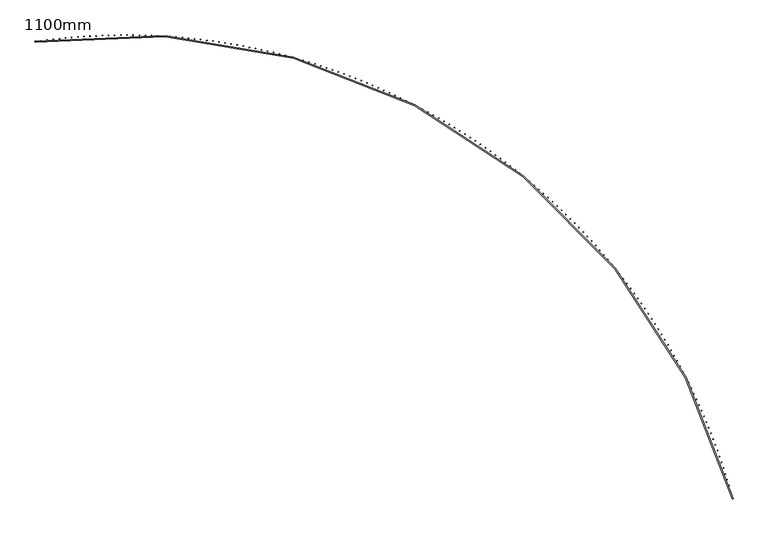
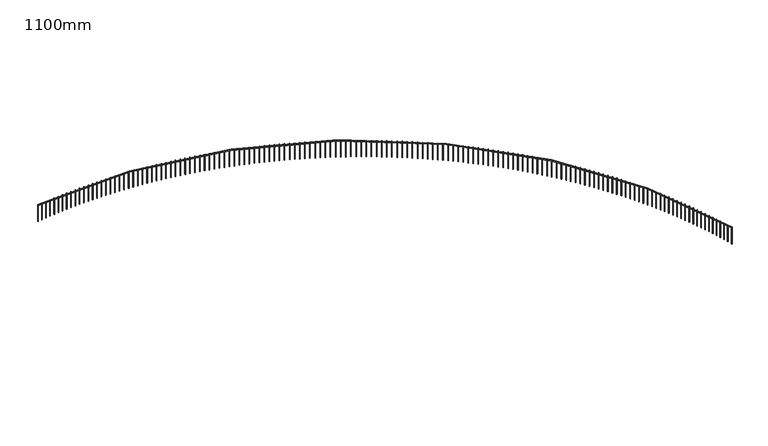
"""IFC4 building model written with IfcOpenShell, lengths in millimetres: railing geometry, 1100mm."""

from ifc_helpers import new_model, si_unit, point, frame, frame_2d, origin, place, context, project, spatial, polyline, circle_curve, trimmed, segment, composite_curve, outline, extrude, source, transform, mapped, element, save


def railing_1100mm_8ffe134a(model_context):
    return source(origin(), model_context, "Body", "SweptSolid", [
        extrude(outline(composite_curve([segment(trimmed(circle_curve(frame_2d((-8794.2031957, -54023.2815566)), 28027.8933111), [point((18263.3200525, -46712.1093436))], [point((-12873.1716323, -26293.787873))], True, "CARTESIAN"), True, "CONTINUOUS"), segment(polyline([(-12873.1716323, -26293.787873), (-12880.4482557, -26244.3201992)]), True, "CONTINUOUS"), segment(trimmed(circle_curve(frame_2d((-8794.2031957, -54023.2815566)), 28077.8933111), [point((-12880.4482557, -26244.3201992))], [point((18311.5889733, -46699.0666719))], False, "CARTESIAN"), True, "CONTINUOUS"), segment(polyline([(18311.5889733, -46699.0666719), (18263.3200525, -46712.1093436)]), True, "CONTINUOUS")], self_intersect=False)), frame((0.0, 0.0, 11650.0), z_axis=(0.0, 0.0, 1.0), x_axis=(1.0, 0.0, 0.0)), (0.0, 0.0, 1.0), 50.0),
        extrude(outline(polyline([(18256.6030696, -46639.6717561), (18280.7237123, -46633.0994967), (18287.2959717, -46657.2201395), (18263.1753289, -46663.7923988), (18256.6030696, -46639.6717561)])), frame((0.0, 0.0, 10600.0), z_axis=(0.0, 0.0, 1.0), x_axis=(1.0, 0.0, 0.0)), (0.0, 0.0, 1.0), 1050.0),
        extrude(outline(polyline([(18182.9236225, -46374.8541414), (18206.97868, -46368.0457491), (18213.7870723, -46392.1008067), (18189.7320147, -46398.909199), (18182.9236225, -46374.8541414)])), frame((0.0, 0.0, 10600.0), z_axis=(0.0, 0.0, 1.0), x_axis=(1.0, 0.0, 0.0)), (0.0, 0.0, 1.0), 1050.0),
        extrude(outline(polyline([(18106.6517737, -46110.7715122), (18130.6389345, -46103.7276413), (18137.6828054, -46127.7148021), (18113.6956447, -46134.758673), (18106.6517737, -46110.7715122)])), frame((0.0, 0.0, 10600.0), z_axis=(0.0, 0.0, 1.0), x_axis=(1.0, 0.0, 0.0)), (0.0, 0.0, 1.0), 1050.0),
        extrude(outline(polyline([(18027.7948528, -45847.4492458), (18051.7118117, -45840.1705731), (18058.9904844, -45864.087532), (18035.0735255, -45871.3662047), (18027.7948528, -45847.4492458)])), frame((0.0, 0.0, 10600.0), z_axis=(0.0, 0.0, 1.0), x_axis=(1.0, 0.0, 0.0)), (0.0, 0.0, 1.0), 1050.0),
        extrude(outline(polyline([(17946.3604376, -45584.9126465), (17970.2048963, -45577.3998715), (17977.7176713, -45601.2443302), (17953.8732126, -45608.7571052), (17946.3604376, -45584.9126465)])), frame((0.0, 0.0, 10600.0), z_axis=(0.0, 0.0, 1.0), x_axis=(1.0, 0.0, 0.0)), (0.0, 0.0, 1.0), 1050.0),
        extrude(outline(polyline([(17862.3563536, -45323.1869431), (17886.1260207, -45315.4407877), (17893.8721762, -45339.2104549), (17870.102509, -45346.9566103), (17862.3563536, -45323.1869431)])), frame((0.0, 0.0, 10600.0), z_axis=(0.0, 0.0, 1.0), x_axis=(1.0, 0.0, 0.0)), (0.0, 0.0, 1.0), 1050.0),
        extrude(outline(polyline([(17775.7906733, -45062.2972865), (17799.4832647, -45054.3184951), (17807.4620561, -45078.0110865), (17783.7694647, -45085.9898779), (17775.7906733, -45062.2972865)])), frame((0.0, 0.0, 10600.0), z_axis=(0.0, 0.0, 1.0), x_axis=(1.0, 0.0, 0.0)), (0.0, 0.0, 1.0), 1050.0),
        extrude(outline(polyline([(17686.6717154, -44802.2687471), (17710.2849543, -44794.0580864), (17718.4956149, -44817.6713253), (17694.882376, -44825.881986), (17686.6717154, -44802.2687471)])), frame((0.0, 0.0, 10600.0), z_axis=(0.0, 0.0, 1.0), x_axis=(1.0, 0.0, 0.0)), (0.0, 0.0, 1.0), 1050.0),
        extrude(outline(polyline([(17595.0080438, -44543.1263128), (17618.539661, -44534.6845719), (17626.9814019, -44558.2161891), (17603.4497847, -44566.65793), (17595.0080438, -44543.1263128)])), frame((0.0, 0.0, 10600.0), z_axis=(0.0, 0.0, 1.0), x_axis=(1.0, 0.0, 0.0)), (0.0, 0.0, 1.0), 1050.0),
        extrude(outline(polyline([(17500.8084671, -44284.8948862), (17524.2562014, -44276.2228762), (17532.9282113, -44299.6706105), (17509.480477, -44308.3426205), (17500.8084671, -44284.8948862)])), frame((0.0, 0.0, 10600.0), z_axis=(0.0, 0.0, 1.0), x_axis=(1.0, 0.0, 0.0)), (0.0, 0.0, 1.0), 1050.0),
        extrude(outline(polyline([(17404.0820375, -44027.5992823), (17427.4436356, -44018.6978367), (17436.3450812, -44042.0594347), (17412.9834831, -44050.9608804), (17404.0820375, -44027.5992823)])), frame((0.0, 0.0, 10600.0), z_axis=(0.0, 0.0, 1.0), x_axis=(1.0, 0.0, 0.0)), (0.0, 0.0, 1.0), 1050.0),
        extrude(outline(polyline([(17304.8380501, -43771.2642263), (17328.111267, -43762.1342004), (17337.2412929, -43785.4074173), (17313.968076, -43794.5374433), (17304.8380501, -43771.2642263)])), frame((0.0, 0.0, 10600.0), z_axis=(0.0, 0.0, 1.0), x_axis=(1.0, 0.0, 0.0)), (0.0, 0.0, 1.0), 1050.0),
        extrude(outline(polyline([(17203.0860418, -43515.9143511), (17226.2686411, -43506.5566223), (17235.62637, -43529.7392216), (17212.4437706, -43539.0969505), (17203.0860418, -43515.9143511)])), frame((0.0, 0.0, 10600.0), z_axis=(0.0, 0.0, 1.0), x_axis=(1.0, 0.0, 0.0)), (0.0, 0.0, 1.0), 1050.0),
        extrude(outline(polyline([(17098.8357907, -43261.5741949), (17121.9255446, -43251.9896623), (17131.5100771, -43275.0794163), (17108.4203232, -43284.6639488), (17098.8357907, -43261.5741949)])), frame((0.0, 0.0, 10600.0), z_axis=(0.0, 0.0, 1.0), x_axis=(1.0, 0.0, 0.0)), (0.0, 0.0, 1.0), 1050.0),
        extrude(outline(polyline([(16992.0973147, -43008.2681987), (17015.0920044, -42998.4577835), (17024.9024196, -43021.4524732), (17001.9077299, -43031.2628884), (16992.0973147, -43008.2681987)])), frame((0.0, 0.0, 10600.0), z_axis=(0.0, 0.0, 1.0), x_axis=(1.0, 0.0, 0.0)), (0.0, 0.0, 1.0), 1050.0),
        extrude(outline(polyline([(16882.8808711, -42756.0207043), (16905.7782869, -42745.9853493), (16915.813642, -42768.882765), (16892.9162262, -42778.9181201), (16882.8808711, -42756.0207043)])), frame((0.0, 0.0, 10600.0), z_axis=(0.0, 0.0, 1.0), x_axis=(1.0, 0.0, 0.0)), (0.0, 0.0, 1.0), 1050.0),
        extrude(outline(polyline([(16771.1969552, -42504.8559519), (16793.9948967, -42494.5966213), (16804.2542273, -42517.3945627), (16781.4562858, -42527.6538934), (16771.1969552, -42504.8559519)])), frame((0.0, 0.0, 10600.0), z_axis=(0.0, 0.0, 1.0), x_axis=(1.0, 0.0, 0.0)), (0.0, 0.0, 1.0), 1050.0),
        extrude(outline(polyline([(16657.0562994, -42254.7980773), (16679.7525758, -42244.315757), (16690.234896, -42267.0120334), (16667.5386197, -42277.4943537), (16657.0562994, -42254.7980773)])), frame((0.0, 0.0, 10600.0), z_axis=(0.0, 0.0, 1.0), x_axis=(1.0, 0.0, 0.0)), (0.0, 0.0, 1.0), 1050.0),
        extrude(outline(polyline([(16540.4698721, -42005.8711103), (16563.0623024, -41995.1668076), (16573.766605, -42017.7592379), (16551.1741747, -42028.4635405), (16540.4698721, -42005.8711103)])), frame((0.0, 0.0, 10600.0), z_axis=(0.0, 0.0, 1.0), x_axis=(1.0, 0.0, 0.0)), (0.0, 0.0, 1.0), 1050.0),
        extrude(outline(polyline([(16421.4488769, -41758.0989717), (16443.93529, -41747.1737154), (16454.8605463, -41769.6601285), (16432.3741332, -41780.5853848), (16421.4488769, -41758.0989717)])), frame((0.0, 0.0, 10600.0), z_axis=(0.0, 0.0, 1.0), x_axis=(1.0, 0.0, 0.0)), (0.0, 0.0, 1.0), 1050.0),
        extrude(outline(polyline([(16300.0047513, -41511.5054716), (16322.3829864, -41500.3603114), (16333.5281465, -41522.7385465), (16311.1499114, -41533.8837067), (16300.0047513, -41511.5054716)])), frame((0.0, 0.0, 10600.0), z_axis=(0.0, 0.0, 1.0), x_axis=(1.0, 0.0, 0.0)), (0.0, 0.0, 1.0), 1050.0),
        extrude(outline(polyline([(16176.1491655, -41266.1143066), (16198.4170721, -41254.7503137), (16209.7810651, -41277.0182203), (16187.5131585, -41288.3822132), (16176.1491655, -41266.1143066)])), frame((0.0, 0.0, 10600.0), z_axis=(0.0, 0.0, 1.0), x_axis=(1.0, 0.0, 0.0)), (0.0, 0.0, 1.0), 1050.0),
        extrude(outline(polyline([(16049.8940217, -41021.949058), (16072.04946, -41010.3673243), (16083.6311937, -41032.5227625), (16061.4757555, -41044.1044963), (16049.8940217, -41021.949058)])), frame((0.0, 0.0, 10600.0), z_axis=(0.0, 0.0, 1.0), x_axis=(1.0, 0.0, 0.0)), (0.0, 0.0, 1.0), 1050.0),
        extrude(outline(polyline([(15921.2514526, -40779.0331892), (15943.2922934, -40767.2348276), (15955.090655, -40789.2756684), (15933.0498141, -40801.07403), (15921.2514526, -40779.0331892)])), frame((0.0, 0.0, 10600.0), z_axis=(0.0, 0.0, 1.0), x_axis=(1.0, 0.0, 0.0)), (0.0, 0.0, 1.0), 1050.0),
        extrude(outline(polyline([(15790.23382, -40537.3900434), (15812.1579454, -40525.3761878), (15824.171801, -40547.3003131), (15802.2476756, -40559.3141687), (15790.23382, -40537.3900434)])), frame((0.0, 0.0, 10600.0), z_axis=(0.0, 0.0, 1.0), x_axis=(1.0, 0.0, 0.0)), (0.0, 0.0, 1.0), 1050.0),
        extrude(outline(polyline([(15656.8537145, -40297.0428416), (15678.6590176, -40284.8146464), (15690.8872128, -40306.6199495), (15669.0819097, -40318.8481447), (15656.8537145, -40297.0428416)])), frame((0.0, 0.0, 10600.0), z_axis=(0.0, 0.0, 1.0), x_axis=(1.0, 0.0, 0.0)), (0.0, 0.0, 1.0), 1050.0),
        extrude(outline(polyline([(15521.1239533, -40058.0146803), (15542.8083387, -40045.5733207), (15555.2496983, -40067.2577061), (15533.5653129, -40079.6990658), (15521.1239533, -40058.0146803)])), frame((0.0, 0.0, 10600.0), z_axis=(0.0, 0.0, 1.0), x_axis=(1.0, 0.0, 0.0)), (0.0, 0.0, 1.0), 1050.0),
        extrude(outline(polyline([(15383.0575795, -39820.3285293), (15404.6189635, -39807.6752008), (15417.272292, -39829.2365847), (15395.710908, -39841.8899133), (15383.0575795, -39820.3285293)])), frame((0.0, 0.0, 10600.0), z_axis=(0.0, 0.0, 1.0), x_axis=(1.0, 0.0, 0.0)), (0.0, 0.0, 1.0), 1050.0),
        extrude(outline(polyline([(15242.6678609, -39584.0072293), (15264.1041713, -39571.1431478), (15276.9682528, -39592.5794583), (15255.5319423, -39605.4435398), (15242.6678609, -39584.0072293)])), frame((0.0, 0.0, 10600.0), z_axis=(0.0, 0.0, 1.0), x_axis=(1.0, 0.0, 0.0)), (0.0, 0.0, 1.0), 1050.0),
        extrude(outline(polyline([(15099.9682882, -39349.0734899), (15121.2774653, -39335.9998916), (15134.3510636, -39357.3090687), (15113.0418865, -39370.382667), (15099.9682882, -39349.0734899)])), frame((0.0, 0.0, 10600.0), z_axis=(0.0, 0.0, 1.0), x_axis=(1.0, 0.0, 0.0)), (0.0, 0.0, 1.0), 1050.0),
        extrude(outline(polyline([(14954.9725745, -39115.5498873), (14976.1525705, -39102.2680286), (14989.4344292, -39123.4480246), (14968.2544332, -39136.7298833), (14954.9725745, -39115.5498873)])), frame((0.0, 0.0, 10600.0), z_axis=(0.0, 0.0, 1.0), x_axis=(1.0, 0.0, 0.0)), (0.0, 0.0, 1.0), 1050.0),
        extrude(outline(polyline([(14807.6946533, -38883.4588623), (14828.7434328, -38869.9700195), (14842.2322756, -38891.0187991), (14821.1834961, -38904.5076419), (14807.6946533, -38883.4588623)])), frame((0.0, 0.0, 10600.0), z_axis=(0.0, 0.0, 1.0), x_axis=(1.0, 0.0, 0.0)), (0.0, 0.0, 1.0), 1050.0),
        extrude(outline(polyline([(14658.1486774, -38652.8227181), (14679.0642178, -38639.1281874), (14692.7587485, -38660.0437277), (14671.8432081, -38673.7382584), (14658.1486774, -38652.8227181)])), frame((0.0, 0.0, 10600.0), z_axis=(0.0, 0.0, 1.0), x_axis=(1.0, 0.0, 0.0)), (0.0, 0.0, 1.0), 1050.0),
        extrude(outline(polyline([(14506.3490177, -38423.6636177), (14527.129309, -38409.7647152), (14541.0282116, -38430.5450065), (14520.2479203, -38444.443909), (14506.3490177, -38423.6636177)])), frame((0.0, 0.0, 10600.0), z_axis=(0.0, 0.0, 1.0), x_axis=(1.0, 0.0, 0.0)), (0.0, 0.0, 1.0), 1050.0),
        extrude(outline(polyline([(14352.3102615, -38196.0035827), (14372.9533069, -38181.9016439), (14387.0552457, -38202.5446892), (14366.4122004, -38216.6466281), (14352.3102615, -38196.0035827)])), frame((0.0, 0.0, 10600.0), z_axis=(0.0, 0.0, 1.0), x_axis=(1.0, 0.0, 0.0)), (0.0, 0.0, 1.0), 1050.0),
        extrude(outline(polyline([(14196.0472114, -37969.8644903), (14216.5510271, -37955.5608703), (14230.854647, -37976.064686), (14210.3508314, -37990.3683059), (14196.0472114, -37969.8644903)])), frame((0.0, 0.0, 10600.0), z_axis=(0.0, 0.0, 1.0), x_axis=(1.0, 0.0, 0.0)), (0.0, 0.0, 1.0), 1050.0),
        extrude(outline(polyline([(14037.5748837, -37745.2680715), (14057.9374994, -37730.764145), (14072.4414259, -37751.1267606), (14052.0788103, -37765.6306872), (14037.5748837, -37745.2680715)])), frame((0.0, 0.0, 10600.0), z_axis=(0.0, 0.0, 1.0), x_axis=(1.0, 0.0, 0.0)), (0.0, 0.0, 1.0), 1050.0),
        extrude(outline(polyline([(13876.908507, -37522.2359094), (13897.1279659, -37507.5330701), (13911.8308052, -37527.7525289), (13891.6113464, -37542.4553682), (13876.908507, -37522.2359094)])), frame((0.0, 0.0, 10600.0), z_axis=(0.0, 0.0, 1.0), x_axis=(1.0, 0.0, 0.0)), (0.0, 0.0, 1.0), 1050.0),
        extrude(outline(polyline([(13714.0635208, -37300.7894364), (13734.1378798, -37285.8890972), (13749.038219, -37305.9634562), (13728.96386, -37320.8637954), (13714.0635208, -37300.7894364)])), frame((0.0, 0.0, 10600.0), z_axis=(0.0, 0.0, 1.0), x_axis=(1.0, 0.0, 0.0)), (0.0, 0.0, 1.0), 1050.0),
        extrude(outline(polyline([(13549.0555737, -37080.9499328), (13568.9829038, -37065.8535255), (13584.0793112, -37085.7808556), (13564.151981, -37100.8772629), (13549.0555737, -37080.9499328)])), frame((0.0, 0.0, 10600.0), z_axis=(0.0, 0.0, 1.0), x_axis=(1.0, 0.0, 0.0)), (0.0, 0.0, 1.0), 1050.0),
        extrude(outline(polyline([(13381.9005225, -36862.7385242), (13401.6789088, -36847.4474996), (13416.9699335, -36867.2258859), (13397.1915472, -36882.5169105), (13381.9005225, -36862.7385242)])), frame((0.0, 0.0, 10600.0), z_axis=(0.0, 0.0, 1.0), x_axis=(1.0, 0.0, 0.0)), (0.0, 0.0, 1.0), 1050.0),
        extrude(outline(polyline([(13212.6144302, -36646.1761801), (13232.2419721, -36630.6920075), (13247.7261447, -36650.3195493), (13228.0986029, -36665.8037219), (13212.6144302, -36646.1761801)])), frame((0.0, 0.0, 10600.0), z_axis=(0.0, 0.0, 1.0), x_axis=(1.0, 0.0, 0.0)), (0.0, 0.0, 1.0), 1050.0),
        extrude(outline(polyline([(13041.2135646, -36431.2837112), (13060.6883758, -36415.6078786), (13076.3642084, -36435.0826898), (13056.8893971, -36450.7585224), (13041.2135646, -36431.2837112)])), frame((0.0, 0.0, 10600.0), z_axis=(0.0, 0.0, 1.0), x_axis=(1.0, 0.0, 0.0)), (0.0, 0.0, 1.0), 1050.0),
        extrude(outline(polyline([(12867.7143965, -36218.0817679), (12887.0346057, -36202.2157817), (12902.9005918, -36221.5359909), (12883.5803827, -36237.4019771), (12867.7143965, -36218.0817679)])), frame((0.0, 0.0, 10600.0), z_axis=(0.0, 0.0, 1.0), x_axis=(1.0, 0.0, 0.0)), (0.0, 0.0, 1.0), 1050.0),
        extrude(outline(polyline([(12692.1335987, -36006.5908381), (12711.2973492, -35990.536223), (12727.3519643, -36009.6999735), (12708.1882137, -36025.7545886), (12692.1335987, -36006.5908381)])), frame((0.0, 0.0, 10600.0), z_axis=(0.0, 0.0, 1.0), x_axis=(1.0, 0.0, 0.0)), (0.0, 0.0, 1.0), 1050.0),
        extrude(outline(polyline([(12514.4880437, -35796.8312453), (12533.4934941, -35780.5895441), (12549.7351953, -35799.5949944), (12530.7297449, -35815.8366956), (12514.4880437, -35796.8312453)])), frame((0.0, 0.0, 10600.0), z_axis=(0.0, 0.0, 1.0), x_axis=(1.0, 0.0, 0.0)), (0.0, 0.0, 1.0), 1050.0),
        extrude(outline(polyline([(12334.7948028, -35588.8231466), (12353.6401265, -35572.3959201), (12370.0673531, -35591.2412438), (12351.2220293, -35607.6684704), (12334.7948028, -35588.8231466)])), frame((0.0, 0.0, 10600.0), z_axis=(0.0, 0.0, 1.0), x_axis=(1.0, 0.0, 0.0)), (0.0, 0.0, 1.0), 1050.0),
        extrude(outline(polyline([(12153.0711436, -35382.5865309), (12171.7545299, -35365.9753576), (12188.3657032, -35384.6587438), (12169.682317, -35401.2699171), (12153.0711436, -35382.5865309)])), frame((0.0, 0.0, 10600.0), z_axis=(0.0, 0.0, 1.0), x_axis=(1.0, 0.0, 0.0)), (0.0, 0.0, 1.0), 1050.0),
        extrude(outline(polyline([(11969.3345293, -35178.1412167), (11987.8541826, -35161.3476929), (12004.6477064, -35179.8673462), (11986.1280531, -35196.66087), (11969.3345293, -35178.1412167)])), frame((0.0, 0.0, 10600.0), z_axis=(0.0, 0.0, 1.0), x_axis=(1.0, 0.0, 0.0)), (0.0, 0.0, 1.0), 1050.0),
        extrude(outline(polyline([(11783.6026162, -34975.5068504), (11801.9567569, -34958.5325899), (11818.9310174, -34976.8867306), (11800.5768767, -34993.8609911), (11783.6026162, -34975.5068504)])), frame((0.0, 0.0, 10600.0), z_axis=(0.0, 0.0, 1.0), x_axis=(1.0, 0.0, 0.0)), (0.0, 0.0, 1.0), 1050.0),
        extrude(outline(polyline([(11595.8932524, -34774.7029045), (11614.0801167, -34757.5495385), (11631.2334827, -34775.7364028), (11613.0466184, -34792.8897688), (11595.8932524, -34774.7029045)])), frame((0.0, 0.0, 10600.0), z_axis=(0.0, 0.0, 1.0), x_axis=(1.0, 0.0, 0.0)), (0.0, 0.0, 1.0), 1050.0),
        extrude(outline(polyline([(11406.2244761, -34575.7486755), (11424.2423164, -34558.4178522), (11441.5731396, -34576.4356925), (11423.5552993, -34593.7665157), (11406.2244761, -34575.7486755)])), frame((0.0, 0.0, 10600.0), z_axis=(0.0, 0.0, 1.0), x_axis=(1.0, 0.0, 0.0)), (0.0, 0.0, 1.0), 1050.0),
        extrude(outline(polyline([(11214.6145138, -34378.663282), (11232.4615986, -34361.1566671), (11249.9682135, -34379.0037518), (11232.1211288, -34396.5103667), (11214.6145138, -34378.663282)])), frame((0.0, 0.0, 10600.0), z_axis=(0.0, 0.0, 1.0), x_axis=(1.0, 0.0, 0.0)), (0.0, 0.0, 1.0), 1050.0),
        extrude(outline(polyline([(11021.0817786, -34183.4656634), (11038.7563927, -34165.784939), (11056.4371171, -34183.4595532), (11038.7625029, -34201.1402776), (11021.0817786, -34183.4656634)])), frame((0.0, 0.0, 10600.0), z_axis=(0.0, 0.0, 1.0), x_axis=(1.0, 0.0, 0.0)), (0.0, 0.0, 1.0), 1050.0),
        extrude(outline(polyline([(10825.644868, -33990.1745773), (10843.1453132, -33972.3214426), (10860.9984479, -33989.8218878), (10843.4980027, -34007.6750225), (10825.644868, -33990.1745773)])), frame((0.0, 0.0, 10600.0), z_axis=(0.0, 0.0, 1.0), x_axis=(1.0, 0.0, 0.0)), (0.0, 0.0, 1.0), 1050.0),
        extrude(outline(polyline([(10628.322563, -33798.8085983), (10645.6471575, -33780.7847689), (10663.6709869, -33798.1093633), (10646.3463925, -33816.1331928), (10628.322563, -33798.8085983)])), frame((0.0, 0.0, 10600.0), z_axis=(0.0, 0.0, 1.0), x_axis=(1.0, 0.0, 0.0)), (0.0, 0.0, 1.0), 1050.0),
        extrude(outline(polyline([(10429.1338255, -33609.3861161), (10446.2809044, -33591.1933239), (10464.4736965, -33608.3404028), (10447.3266177, -33626.5331949), (10429.1338255, -33609.3861161)])), frame((0.0, 0.0, 10600.0), z_axis=(0.0, 0.0, 1.0), x_axis=(1.0, 0.0, 0.0)), (0.0, 0.0, 1.0), 1050.0),
        extrude(outline(polyline([(10228.0977967, -33421.9253333), (10245.0657123, -33403.5653266), (10263.4257189, -33420.5332422), (10246.4578034, -33438.8932488), (10228.0977967, -33421.9253333)])), frame((0.0, 0.0, 10600.0), z_axis=(0.0, 0.0, 1.0), x_axis=(1.0, 0.0, 0.0)), (0.0, 0.0, 1.0), 1050.0),
        extrude(outline(polyline([(10025.2337956, -33236.4442642), (10042.0209172, -33217.9188075), (10060.5463739, -33234.7059291), (10043.7592523, -33253.2313858), (10025.2337956, -33236.4442642)])), frame((0.0, 0.0, 10600.0), z_axis=(0.0, 0.0, 1.0), x_axis=(1.0, 0.0, 0.0)), (0.0, 0.0, 1.0), 1050.0),
        extrude(outline(polyline([(9820.5613164, -33052.960733), (9837.166031, -33034.2716063), (9855.8551576, -33050.8763209), (9839.2504431, -33069.5654475), (9820.5613164, -33052.960733)])), frame((0.0, 0.0, 10600.0), z_axis=(0.0, 0.0, 1.0), x_axis=(1.0, 0.0, 0.0)), (0.0, 0.0, 1.0), 1050.0),
        extrude(outline(polyline([(9614.1000276, -32871.4923716), (9630.5207394, -32852.641371), (9649.37174, -32869.0620829), (9632.9510282, -32887.9130834), (9614.1000276, -32871.4923716)])), frame((0.0, 0.0, 10600.0), z_axis=(0.0, 0.0, 1.0), x_axis=(1.0, 0.0, 0.0)), (0.0, 0.0, 1.0), 1050.0),
        extrude(outline(polyline([(9405.8697693, -32692.0566186), (9422.1049004, -32673.0455556), (9441.1159634, -32689.2806867), (9424.8808323, -32708.2917497), (9405.8697693, -32692.0566186)])), frame((0.0, 0.0, 10600.0), z_axis=(0.0, 0.0, 1.0), x_axis=(1.0, 0.0, 0.0)), (0.0, 0.0, 1.0), 1050.0),
        extrude(outline(polyline([(9195.8905516, -32514.670717), (9211.9385419, -32495.5014184), (9231.1078405, -32511.5494087), (9215.0598502, -32530.7187073), (9195.8905516, -32514.670717)])), frame((0.0, 0.0, 10600.0), z_axis=(0.0, 0.0, 1.0), x_axis=(1.0, 0.0, 0.0)), (0.0, 0.0, 1.0), 1050.0),
        extrude(outline(polyline([(8984.1825528, -32339.3517129), (9000.0418601, -32320.0260209), (9019.3675521, -32335.8853282), (9003.5082448, -32355.2110202), (8984.1825528, -32339.3517129)])), frame((0.0, 0.0, 10600.0), z_axis=(0.0, 0.0, 1.0), x_axis=(1.0, 0.0, 0.0)), (0.0, 0.0, 1.0), 1050.0),
        extrude(outline(polyline([(8770.7661172, -32166.1164539), (8786.4352175, -32146.6362256), (8805.9154458, -32162.3053259), (8790.2463455, -32181.7855542), (8770.7661172, -32166.1164539)])), frame((0.0, 0.0, 10600.0), z_axis=(0.0, 0.0, 1.0), x_axis=(1.0, 0.0, 0.0)), (0.0, 0.0, 1.0), 1050.0),
        extrude(outline(polyline([(8555.6617533, -31994.9815872), (8571.1391408, -31975.3486946), (8590.7720335, -31990.8260822), (8575.2946459, -32010.4589748), (8555.6617533, -31994.9815872)])), frame((0.0, 0.0, 10600.0), z_axis=(0.0, 0.0, 1.0), x_axis=(1.0, 0.0, 0.0)), (0.0, 0.0, 1.0), 1050.0),
        extrude(outline(polyline([(8338.8901319, -31825.9635583), (8354.1743194, -31806.179888), (8373.9579897, -31821.4640755), (8358.6738022, -31841.2477458), (8338.8901319, -31825.9635583)])), frame((0.0, 0.0, 10600.0), z_axis=(0.0, 0.0, 1.0), x_axis=(1.0, 0.0, 0.0)), (0.0, 0.0, 1.0), 1050.0),
        extrude(outline(polyline([(8120.4720839, -31659.0786091), (8135.5616026, -31639.1460622), (8155.4941494, -31654.2355809), (8140.4046308, -31674.1681278), (8120.4720839, -31659.0786091)])), frame((0.0, 0.0, 10600.0), z_axis=(0.0, 0.0, 1.0), x_axis=(1.0, 0.0, 0.0)), (0.0, 0.0, 1.0), 1050.0),
        extrude(outline(polyline([(7900.4285984, -31494.3427768), (7915.3219983, -31474.2632687), (7935.4015063, -31489.1566686), (7920.5081064, -31509.2361766), (7900.4285984, -31494.3427768)])), frame((0.0, 0.0, 10600.0), z_axis=(0.0, 0.0, 1.0), x_axis=(1.0, 0.0, 0.0)), (0.0, 0.0, 1.0), 1050.0),
        extrude(outline(polyline([(7678.780821, -31331.7718916), (7693.4766707, -31311.5473521), (7713.7012103, -31326.2432018), (7699.0053605, -31346.4677414), (7678.780821, -31331.7718916)])), frame((0.0, 0.0, 10600.0), z_axis=(0.0, 0.0, 1.0), x_axis=(1.0, 0.0, 0.0)), (0.0, 0.0, 1.0), 1050.0),
        extrude(outline(polyline([(7455.5500509, -31171.3815763), (7470.0469384, -31151.0139487), (7490.414566, -31165.5108361), (7475.9176785, -31185.8784637), (7455.5500509, -31171.3815763)])), frame((0.0, 0.0, 10600.0), z_axis=(0.0, 0.0, 1.0), x_axis=(1.0, 0.0, 0.0)), (0.0, 0.0, 1.0), 1050.0),
        extrude(outline(polyline([(7230.75774, -31013.1872435), (7245.0542721, -30992.6784852), (7265.5630305, -31006.9750172), (7251.2664984, -31027.4837756), (7230.75774, -31013.1872435)])), frame((0.0, 0.0, 10600.0), z_axis=(0.0, 0.0, 1.0), x_axis=(1.0, 0.0, 0.0)), (0.0, 0.0, 1.0), 1050.0),
        extrude(outline(polyline([(7004.4254899, -30857.2040953), (7018.5202928, -30836.556177), (7039.1682112, -30850.6509799), (7025.0734083, -30871.2988982), (7004.4254899, -30857.2040953)])), frame((0.0, 0.0, 10600.0), z_axis=(0.0, 0.0, 1.0), x_axis=(1.0, 0.0, 0.0)), (0.0, 0.0, 1.0), 1050.0),
        extrude(outline(polyline([(6776.5750504, -30703.4471211), (6790.4667695, -30682.6620269), (6811.2518637, -30696.5537461), (6797.3601445, -30717.3388403), (6776.5750504, -30703.4471211)])), frame((0.0, 0.0, 10600.0), z_axis=(0.0, 0.0, 1.0), x_axis=(1.0, 0.0, 0.0)), (0.0, 0.0, 1.0), 1050.0),
        extrude(outline(polyline([(6547.2283169, -30551.9310962), (6560.9156174, -30531.0108237), (6581.83589, -30544.6981243), (6568.1485894, -30565.6183968), (6547.2283169, -30551.9310962)])), frame((0.0, 0.0, 10600.0), z_axis=(0.0, 0.0, 1.0), x_axis=(1.0, 0.0, 0.0)), (0.0, 0.0, 1.0), 1050.0),
        extrude(outline(polyline([(6316.4073288, -30402.6705809), (6329.8888955, -30381.6171403), (6350.9423361, -30395.098707), (6337.4607694, -30416.1521476), (6316.4073288, -30402.6705809)])), frame((0.0, 0.0, 10600.0), z_axis=(0.0, 0.0, 1.0), x_axis=(1.0, 0.0, 0.0)), (0.0, 0.0, 1.0), 1050.0),
        extrude(outline(polyline([(6084.1342673, -30255.6799185), (6097.4088045, -30234.495333), (6118.59339, -30247.7698702), (6105.3188528, -30268.9544557), (6084.1342673, -30255.6799185)])), frame((0.0, 0.0, 10600.0), z_axis=(0.0, 0.0, 1.0), x_axis=(1.0, 0.0, 0.0)), (0.0, 0.0, 1.0), 1050.0),
        extrude(outline(polyline([(5850.4314528, -30110.9732343), (5863.4976849, -30089.6595397), (5884.8113795, -30102.7257718), (5871.7451474, -30124.0394664), (5850.4314528, -30110.9732343)])), frame((0.0, 0.0, 10600.0), z_axis=(0.0, 0.0, 1.0), x_axis=(1.0, 0.0, 0.0)), (0.0, 0.0, 1.0), 1050.0),
        extrude(outline(polyline([(5615.3213434, -29968.564434), (5628.1780148, -29947.1236785), (5649.6187704, -29959.9803499), (5636.762099, -29981.4211055), (5615.3213434, -29968.564434)])), frame((0.0, 0.0, 10600.0), z_axis=(0.0, 0.0, 1.0), x_axis=(1.0, 0.0, 0.0)), (0.0, 0.0, 1.0), 1050.0),
        extrude(outline(polyline([(5378.8265322, -29828.4672027), (5391.4724074, -29806.9014465), (5413.0381636, -29819.5473217), (5400.3922884, -29841.1130779), (5378.8265322, -29828.4672027)])), frame((0.0, 0.0, 10600.0), z_axis=(0.0, 0.0, 1.0), x_axis=(1.0, 0.0, 0.0)), (0.0, 0.0, 1.0), 1050.0),
        extrude(outline(polyline([(5140.9697455, -29690.695003), (5153.4036094, -29669.0063187), (5175.0922937, -29681.4401825), (5162.6584299, -29703.1288669), (5140.9697455, -29690.695003)])), frame((0.0, 0.0, 10600.0), z_axis=(0.0, 0.0, 1.0), x_axis=(1.0, 0.0, 0.0)), (0.0, 0.0, 1.0), 1050.0),
        extrude(outline(polyline([(4901.7738405, -29555.2610745), (4913.9944981, -29533.4515462), (4935.8040265, -29545.6722037), (4923.5833689, -29567.4817321), (4901.7738405, -29555.2610745)])), frame((0.0, 0.0, 10600.0), z_axis=(0.0, 0.0, 1.0), x_axis=(1.0, 0.0, 0.0)), (0.0, 0.0, 1.0), 1050.0),
        extrude(outline(polyline([(4661.2618031, -29422.1784318), (4673.2680801, -29400.2501553), (4695.1963566, -29412.2564322), (4683.1900797, -29434.1847088), (4661.2618031, -29422.1784318)])), frame((0.0, 0.0, 10600.0), z_axis=(0.0, 0.0, 1.0), x_axis=(1.0, 0.0, 0.0)), (0.0, 0.0, 1.0), 1050.0),
        extrude(outline(polyline([(4419.4567454, -29291.4598637), (4431.247488, -29269.4149462), (4453.2924056, -29281.2056888), (4441.501663, -29303.2506063), (4419.4567454, -29291.4598637)])), frame((0.0, 0.0, 10600.0), z_axis=(0.0, 0.0, 1.0), x_axis=(1.0, 0.0, 0.0)), (0.0, 0.0, 1.0), 1050.0),
        extrude(outline(polyline([(4176.3819042, -29163.1179317), (4187.9559794, -29140.9584917), (4210.1154194, -29152.5325669), (4198.5413443, -29174.6920069), (4176.3819042, -29163.1179317)])), frame((0.0, 0.0, 10600.0), z_axis=(0.0, 0.0, 1.0), x_axis=(1.0, 0.0, 0.0)), (0.0, 0.0, 1.0), 1050.0),
        extrude(outline(polyline([(3932.0606379, -29037.1649691), (3943.4169335, -29014.8931359), (3965.6887666, -29026.2494315), (3954.3324711, -29048.5212646), (3932.0606379, -29037.1649691)])), frame((0.0, 0.0, 10600.0), z_axis=(0.0, 0.0, 1.0), x_axis=(1.0, 0.0, 0.0)), (0.0, 0.0, 1.0), 1050.0),
        extrude(outline(polyline([(3686.516425, -28913.6130794), (3697.6538496, -28891.2309934), (3720.0359356, -28902.368418), (3708.898511, -28924.750504), (3686.516425, -28913.6130794)])), frame((0.0, 0.0, 10600.0), z_axis=(0.0, 0.0, 1.0), x_axis=(1.0, 0.0, 0.0)), (0.0, 0.0, 1.0), 1050.0),
        extrude(outline(polyline([(3439.7728613, -28792.4741354), (3450.6903448, -28769.9839474), (3473.1805327, -28780.9014309), (3462.2630493, -28803.3916188), (3439.7728613, -28792.4741354)])), frame((0.0, 0.0, 10600.0), z_axis=(0.0, 0.0, 1.0), x_axis=(1.0, 0.0, 0.0)), (0.0, 0.0, 1.0), 1050.0),
        extrude(outline(polyline([(3191.853658, -28673.7597783), (3202.5501511, -28651.1636495), (3225.1462799, -28661.8601426), (3214.4497868, -28684.4562714), (3191.853658, -28673.7597783)])), frame((0.0, 0.0, 10600.0), z_axis=(0.0, 0.0, 1.0), x_axis=(1.0, 0.0, 0.0)), (0.0, 0.0, 1.0), 1050.0),
        extrude(outline(polyline([(2942.7826392, -28557.481416), (2953.2571141, -28534.7815179), (2975.9570122, -28545.2559927), (2965.4825374, -28567.9558909), (2942.7826392, -28557.481416)])), frame((0.0, 0.0, 10600.0), z_axis=(0.0, 0.0, 1.0), x_axis=(1.0, 0.0, 0.0)), (0.0, 0.0, 1.0), 1050.0),
        extrude(outline(polyline([(2692.5837397, -28443.6502225), (2702.8351898, -28420.8487363), (2725.6366759, -28431.1001864), (2715.3852259, -28453.9016726), (2692.5837397, -28443.6502225)])), frame((0.0, 0.0, 10600.0), z_axis=(0.0, 0.0, 1.0), x_axis=(1.0, 0.0, 0.0)), (0.0, 0.0, 1.0), 1050.0),
        extrude(outline(polyline([(2441.2810026, -28332.2771364), (2451.3084428, -28309.3762534), (2474.2093258, -28319.4036936), (2464.1818857, -28342.3045766), (2441.2810026, -28332.2771364)])), frame((0.0, 0.0, 10600.0), z_axis=(0.0, 0.0, 1.0), x_axis=(1.0, 0.0, 0.0)), (0.0, 0.0, 1.0), 1050.0),
        extrude(outline(polyline([(2188.8985773, -28223.3728604), (2198.701044, -28200.3747812), (2221.6991232, -28210.1772478), (2211.8966565, -28233.1753271), (2188.8985773, -28223.3728604)])), frame((0.0, 0.0, 10600.0), z_axis=(0.0, 0.0, 1.0), x_axis=(1.0, 0.0, 0.0)), (0.0, 0.0, 1.0), 1050.0),
        extrude(outline(polyline([(1935.4607167, -28116.9478597), (1945.0372679, -28093.8547943), (1968.1303332, -28103.4313455), (1958.5537821, -28126.5244109), (1935.4607167, -28116.9478597)])), frame((0.0, 0.0, 10600.0), z_axis=(0.0, 0.0, 1.0), x_axis=(1.0, 0.0, 0.0)), (0.0, 0.0, 1.0), 1050.0),
        extrude(outline(polyline([(1680.9917753, -28013.0123614), (1690.3414907, -27989.826529), (1713.5273231, -27999.1762444), (1704.1776077, -28022.3620768), (1680.9917753, -28013.0123614)])), frame((0.0, 0.0, 10600.0), z_axis=(0.0, 0.0, 1.0), x_axis=(1.0, 0.0, 0.0)), (0.0, 0.0, 1.0), 1050.0),
        extrude(outline(polyline([(1425.5162066, -27911.5763533), (1434.6381878, -27888.299982), (1457.914559, -27897.4219632), (1448.7925779, -27920.6983344), (1425.5162066, -27911.5763533)])), frame((0.0, 0.0, 10600.0), z_axis=(0.0, 0.0, 1.0), x_axis=(1.0, 0.0, 0.0)), (0.0, 0.0, 1.0), 1050.0),
        extrude(outline(polyline([(1169.0585609, -27812.6495829), (1177.9519312, -27789.2849095), (1201.3166046, -27798.1782799), (1192.4232343, -27821.5429533), (1169.0585609, -27812.6495829)])), frame((0.0, 0.0, 10600.0), z_axis=(0.0, 0.0, 1.0), x_axis=(1.0, 0.0, 0.0)), (0.0, 0.0, 1.0), 1050.0),
        extrude(outline(polyline([(911.6434827, -27716.2415569), (920.3073876, -27692.7908266), (943.7581179, -27701.4547315), (935.094213, -27724.9054618), (911.6434827, -27716.2415569)])), frame((0.0, 0.0, 10600.0), z_axis=(0.0, 0.0, 1.0), x_axis=(1.0, 0.0, 0.0)), (0.0, 0.0, 1.0), 1050.0),
        extrude(outline(polyline([(653.2957087, -27622.3615397), (661.7293156, -27598.827006), (685.2638493, -27607.2606129), (676.8302424, -27630.7951466), (653.2957087, -27622.3615397)])), frame((0.0, 0.0, 10600.0), z_axis=(0.0, 0.0, 1.0), x_axis=(1.0, 0.0, 0.0)), (0.0, 0.0, 1.0), 1050.0),
        extrude(outline(polyline([(394.0400652, -27531.0185527), (402.2425637, -27507.4024773), (425.8586391, -27515.6049757), (417.6561407, -27539.2210512), (394.0400652, -27531.0185527)])), frame((0.0, 0.0, 10600.0), z_axis=(0.0, 0.0, 1.0), x_axis=(1.0, 0.0, 0.0)), (0.0, 0.0, 1.0), 1050.0),
        extrude(outline(polyline([(133.9014657, -27442.2213738), (141.8720675, -27418.526026), (165.5674153, -27426.4966277), (157.5968135, -27450.1919755), (133.9014657, -27442.2213738)])), frame((0.0, 0.0, 10600.0), z_axis=(0.0, 0.0, 1.0), x_axis=(1.0, 0.0, 0.0)), (0.0, 0.0, 1.0), 1050.0),
        extrude(outline(polyline([(-127.0950915, -27355.9785359), (-119.3571524, -27332.2061928), (-95.5848092, -27339.9441319), (-103.3227484, -27363.716475), (-127.0950915, -27355.9785359)])), frame((0.0, 0.0, 10600.0), z_axis=(0.0, 0.0, 1.0), x_axis=(1.0, 0.0, 0.0)), (0.0, 0.0, 1.0), 1050.0),
        extrude(outline(polyline([(-388.9245256, -27272.2983267), (-381.4199926, -27248.4512727), (-357.5729386, -27255.9558056), (-365.0774715, -27279.8028596), (-388.9245256, -27272.2983267)])), frame((0.0, 0.0, 10600.0), z_axis=(0.0, 0.0, 1.0), x_axis=(1.0, 0.0, 0.0)), (0.0, 0.0, 1.0), 1050.0),
        extrude(outline(polyline([(-651.5616757, -27191.1887876), (-644.2912701, -27167.2693143), (-620.3717968, -27174.5397199), (-627.6422024, -27198.4591932), (-651.5616757, -27191.1887876)])), frame((0.0, 0.0, 10600.0), z_axis=(0.0, 0.0, 1.0), x_axis=(1.0, 0.0, 0.0)), (0.0, 0.0, 1.0), 1050.0),
        extrude(outline(polyline([(-914.9813034, -27112.6577129), (-907.9457238, -27088.6681189), (-883.9561298, -27095.7036984), (-890.9917093, -27119.6932924), (-914.9813034, -27112.6577129)])), frame((0.0, 0.0, 10600.0), z_axis=(0.0, 0.0, 1.0), x_axis=(1.0, 0.0, 0.0)), (0.0, 0.0, 1.0), 1050.0),
        extrude(outline(polyline([(-1179.158095, -27036.712649), (-1172.3580176, -27012.6552396), (-1148.3006082, -27019.4553171), (-1155.1006856, -27043.5127265), (-1179.158095, -27036.712649)])), frame((0.0, 0.0, 10600.0), z_axis=(0.0, 0.0, 1.0), x_axis=(1.0, 0.0, 0.0)), (0.0, 0.0, 1.0), 1050.0),
        extrude(outline(polyline([(-1444.0666641, -26963.3608942), (-1437.5027423, -26939.2379812), (-1413.3798293, -26945.8019031), (-1419.9437512, -26969.924816), (-1444.0666641, -26963.3608942)])), frame((0.0, 0.0, 10600.0), z_axis=(0.0, 0.0, 1.0), x_axis=(1.0, 0.0, 0.0)), (0.0, 0.0, 1.0), 1050.0),
        extrude(outline(polyline([(-1709.6815541, -26892.6094971), (-1703.3544186, -26868.4233987), (-1679.1683202, -26874.7505342), (-1685.4954557, -26898.9366326), (-1709.6815541, -26892.6094971)])), frame((0.0, 0.0, 10600.0), z_axis=(0.0, 0.0, 1.0), x_axis=(1.0, 0.0, 0.0)), (0.0, 0.0, 1.0), 1050.0),
        extrude(outline(polyline([(-1975.9772402, -26824.4652568), (-1969.8874991, -26800.2182972), (-1945.6405395, -26806.3080383), (-1951.7302806, -26830.5549979), (-1975.9772402, -26824.4652568)])), frame((0.0, 0.0, 10600.0), z_axis=(0.0, 0.0, 1.0), x_axis=(1.0, 0.0, 0.0)), (0.0, 0.0, 1.0), 1050.0),
        extrude(outline(polyline([(-2242.9281326, -26758.9347217), (-2237.076371, -26734.6292308), (-2212.7708801, -26740.4809923), (-2218.6226417, -26764.7864832), (-2242.9281326, -26758.9347217)])), frame((0.0, 0.0, 10600.0), z_axis=(0.0, 0.0, 1.0), x_axis=(1.0, 0.0, 0.0)), (0.0, 0.0, 1.0), 1050.0),
        extrude(outline(polyline([(-2510.5085781, -26696.0241889), (-2504.8953584, -26671.6625025), (-2480.533672, -26677.2757221), (-2486.1468916, -26701.6374085), (-2510.5085781, -26696.0241889)])), frame((0.0, 0.0, 10600.0), z_axis=(0.0, 0.0, 1.0), x_axis=(1.0, 0.0, 0.0)), (0.0, 0.0, 1.0), 1050.0),
        extrude(outline(polyline([(-2778.6928633, -26635.739704), (-2773.3187249, -26611.3241631), (-2748.903184, -26616.6983014), (-2754.2773224, -26641.1138423), (-2778.6928633, -26635.739704)])), frame((0.0, 0.0, 10600.0), z_axis=(0.0, 0.0, 1.0), x_axis=(1.0, 0.0, 0.0)), (0.0, 0.0, 1.0), 1050.0),
        extrude(outline(polyline([(-3047.4552167, -26578.08706), (-3042.3206761, -26553.6200109), (-3017.8536269, -26558.7545515), (-3022.9881675, -26583.2216006), (-3047.4552167, -26578.08706)])), frame((0.0, 0.0, 10600.0), z_axis=(0.0, 0.0, 1.0), x_axis=(1.0, 0.0, 0.0)), (0.0, 0.0, 1.0), 1050.0),
        extrude(outline(polyline([(-3316.7698112, -26523.0717973), (-3311.8753617, -26498.5555911), (-3287.3591556, -26503.4500406), (-3292.253605, -26527.9662467), (-3316.7698112, -26523.0717973)])), frame((0.0, 0.0, 10600.0), z_axis=(0.0, 0.0, 1.0), x_axis=(1.0, 0.0, 0.0)), (0.0, 0.0, 1.0), 1050.0),
        extrude(outline(polyline([(-3586.6107667, -26470.6992025), (-3581.9568787, -26446.1361952), (-3557.3938714, -26450.7900831), (-3562.0477594, -26475.3530904), (-3586.6107667, -26470.6992025)])), frame((0.0, 0.0, 10600.0), z_axis=(0.0, 0.0, 1.0), x_axis=(1.0, 0.0, 0.0)), (0.0, 0.0, 1.0), 1050.0),
        extrude(outline(polyline([(-3856.9521524, -26420.9743084), (-3852.5392732, -26396.3668604), (-3827.9318252, -26400.7797396), (-3832.3447044, -26425.3871876), (-3856.9521524, -26420.9743084)])), frame((0.0, 0.0, 10600.0), z_axis=(0.0, 0.0, 1.0), x_axis=(1.0, 0.0, 0.0)), (0.0, 0.0, 1.0), 1050.0),
        extrude(outline(polyline([(-4127.7679897, -26373.9018935), (-4123.5965432, -26349.2523694), (-4098.9470192, -26353.4238159), (-4103.1184657, -26378.0733399), (-4127.7679897, -26373.9018935)])), frame((0.0, 0.0, 10600.0), z_axis=(0.0, 0.0, 1.0), x_axis=(1.0, 0.0, 0.0)), (0.0, 0.0, 1.0), 1050.0),
        extrude(outline(polyline([(-4399.032254, -26329.4864811), (-4395.1026412, -26304.7972498), (-4370.4134099, -26308.7268626), (-4374.3430227, -26333.416094), (-4399.032254, -26329.4864811)])), frame((0.0, 0.0, 10600.0), z_axis=(0.0, 0.0, 1.0), x_axis=(1.0, 0.0, 0.0)), (0.0, 0.0, 1.0), 1050.0),
        extrude(outline(polyline([(-4670.7188779, -26287.7323396), (-4667.0314764, -26263.0057735), (-4642.3049103, -26266.6931751), (-4645.9923118, -26291.4197411), (-4670.7188779, -26287.7323396)])), frame((0.0, 0.0, 10600.0), z_axis=(0.0, 0.0, 1.0), x_axis=(1.0, 0.0, 0.0)), (0.0, 0.0, 1.0), 1050.0),
        extrude(outline(polyline([(-4942.8017533, -26248.6434812), (-4939.3569174, -26223.8819565), (-4914.5953927, -26227.3267925), (-4918.0402287, -26252.0883172), (-4942.8017533, -26248.6434812)])), frame((0.0, 0.0, 10600.0), z_axis=(0.0, 0.0, 1.0), x_axis=(1.0, 0.0, 0.0)), (0.0, 0.0, 1.0), 1050.0),
        extrude(outline(polyline([(-5215.2547341, -26212.2236623), (-5212.0527948, -26187.4295585), (-5187.258691, -26190.6314978), (-5190.4606303, -26215.4256017), (-5215.2547341, -26212.2236623)])), frame((0.0, 0.0, 10600.0), z_axis=(0.0, 0.0, 1.0), x_axis=(1.0, 0.0, 0.0)), (0.0, 0.0, 1.0), 1050.0),
        extrude(outline(polyline([(-5488.0516386, -26178.4763827), (-5485.0929036, -26153.6520824), (-5460.2686033, -26156.6108174), (-5463.2273382, -26181.4351177), (-5488.0516386, -26178.4763827)])), frame((0.0, 0.0, 10600.0), z_axis=(0.0, 0.0, 1.0), x_axis=(1.0, 0.0, 0.0)), (0.0, 0.0, 1.0), 1050.0),
        extrude(outline(polyline([(-5761.1662519, -26147.4048854), (-5758.4510056, -26122.5527741), (-5733.5988942, -26125.2680204), (-5736.3141406, -26150.1201318), (-5761.1662519, -26147.4048854)])), frame((0.0, 0.0, 10600.0), z_axis=(0.0, 0.0, 1.0), x_axis=(1.0, 0.0, 0.0)), (0.0, 0.0, 1.0), 1050.0),
        extrude(outline(polyline([(-6034.5723288, -26119.0121563), (-6032.100832, -26094.1346221), (-6007.2232979, -26096.6061189), (-6009.6947947, -26121.483653), (-6034.5723288, -26119.0121563)])), frame((0.0, 0.0, 10600.0), z_axis=(0.0, 0.0, 1.0), x_axis=(1.0, 0.0, 0.0)), (0.0, 0.0, 1.0), 1050.0),
        extrude(outline(polyline([(-6308.2435959, -26093.3009237), (-6306.0160863, -26068.4003574), (-6281.11552, -26070.627867), (-6283.3430297, -26095.5284333), (-6308.2435959, -26093.3009237)])), frame((0.0, 0.0, 10600.0), z_axis=(0.0, 0.0, 1.0), x_axis=(1.0, 0.0, 0.0)), (0.0, 0.0, 1.0), 1050.0),
        extrude(outline(polyline([(-6582.1537546, -26070.2736584), (-6580.1704461, -26045.3524528), (-6555.2492405, -26047.3357613), (-6557.232549, -26072.2569669), (-6582.1537546, -26070.2736584)])), frame((0.0, 0.0, 10600.0), z_axis=(0.0, 0.0, 1.0), x_axis=(1.0, 0.0, 0.0)), (0.0, 0.0, 1.0), 1050.0),
        extrude(outline(polyline([(-6856.2764829, -26049.9325732), (-6854.5375661, -26024.9931232), (-6829.5981161, -26026.73204), (-6831.3370329, -26051.67149), (-6856.2764829, -26049.9325732)])), frame((0.0, 0.0, 10600.0), z_axis=(0.0, 0.0, 1.0), x_axis=(1.0, 0.0, 0.0)), (0.0, 0.0, 1.0), 1050.0),
        extrude(outline(polyline([(-7130.5854389, -26032.279623), (-7129.0910809, -26007.3243251), (-7104.135783, -26008.818683), (-7105.6301409, -26033.773981), (-7130.5854389, -26032.279623)])), frame((0.0, 0.0, 10600.0), z_axis=(0.0, 0.0, 1.0), x_axis=(1.0, 0.0, 0.0)), (0.0, 0.0, 1.0), 1050.0),
        extrude(outline(polyline([(-7405.0542623, -26017.316504), (-7403.8046067, -25992.3477563), (-7378.8358591, -25993.5974118), (-7380.0855146, -26018.5661595), (-7405.0542623, -26017.316504)])), frame((0.0, 0.0, 10600.0), z_axis=(0.0, 0.0, 1.0), x_axis=(1.0, 0.0, 0.0)), (0.0, 0.0, 1.0), 1050.0),
        extrude(outline(polyline([(-7679.6565777, -26005.0446541), (-7678.6517447, -25980.064856), (-7653.6719467, -25981.0696891), (-7654.6767797, -26006.0494871), (-7679.6565777, -26005.0446541)])), frame((0.0, 0.0, 10600.0), z_axis=(0.0, 0.0, 1.0), x_axis=(1.0, 0.0, 0.0)), (0.0, 0.0, 1.0), 1050.0),
        extrude(outline(polyline([(-7954.365997, -25995.4652526), (-7953.606083, -25970.4768047), (-7928.6176351, -25971.2367186), (-7929.377549, -25996.2251666), (-7954.365997, -25995.4652526)])), frame((0.0, 0.0, 10600.0), z_axis=(0.0, 0.0, 1.0), x_axis=(1.0, 0.0, 0.0)), (0.0, 0.0, 1.0), 1050.0),
        extrude(outline(polyline([(-8229.1561214, -25988.5792202), (-8228.6411996, -25963.5845236), (-8203.6465031, -25964.0994454), (-8204.1614249, -25989.094142), (-8229.1561214, -25988.5792202)])), frame((0.0, 0.0, 10600.0), z_axis=(0.0, 0.0, 1.0), x_axis=(1.0, 0.0, 0.0)), (0.0, 0.0, 1.0), 1050.0),
        extrude(outline(polyline([(-8504.0005448, -25984.3872184), (-8503.7306646, -25959.3886751), (-8478.7321213, -25959.6585554), (-8479.0020016, -25984.6570986), (-8504.0005448, -25984.3872184)])), frame((0.0, 0.0, 10600.0), z_axis=(0.0, 0.0, 1.0), x_axis=(1.0, 0.0, 0.0)), (0.0, 0.0, 1.0), 1050.0),
        extrude(outline(polyline([(-8778.8728556, -25982.8896501), (-8778.8480429, -25957.8896624), (-8753.8480552, -25957.9144751), (-8753.8728679, -25982.9144628), (-8778.8728556, -25982.8896501)])), frame((0.0, 0.0, 10600.0), z_axis=(0.0, 0.0, 1.0), x_axis=(1.0, 0.0, 0.0)), (0.0, 0.0, 1.0), 1050.0),
        extrude(outline(polyline([(-9053.7466396, -25984.0866593), (-9053.9668968, -25959.0876296), (-9028.9678671, -25958.8673724), (-9028.7476099, -25983.8664021), (-9053.7466396, -25984.0866593)])), frame((0.0, 0.0, 10600.0), z_axis=(0.0, 0.0, 1.0), x_axis=(1.0, 0.0, 0.0)), (0.0, 0.0, 1.0), 1050.0),
        extrude(outline(polyline([(-9328.5954824, -25987.9781309), (-9329.0607884, -25962.9824614), (-9304.0651189, -25962.5171555), (-9303.599813, -25987.5128249), (-9328.5954824, -25987.9781309)])), frame((0.0, 0.0, 10600.0), z_axis=(0.0, 0.0, 1.0), x_axis=(1.0, 0.0, 0.0)), (0.0, 0.0, 1.0), 1050.0),
        extrude(outline(polyline([(-9603.3929721, -25994.5636909), (-9604.1032821, -25969.5737838), (-9579.1133749, -25968.8634738), (-9578.403065, -25993.853381), (-9603.3929721, -25994.5636909)])), frame((0.0, 0.0, 10600.0), z_axis=(0.0, 0.0, 1.0), x_axis=(1.0, 0.0, 0.0)), (0.0, 0.0, 1.0), 1050.0),
        extrude(outline(polyline([(-9878.1127017, -26003.8427066), (-9879.0679474, -25978.8609631), (-9854.086204, -25977.9057174), (-9853.1309583, -26002.8874608), (-9878.1127017, -26003.8427066)])), frame((0.0, 0.0, 10600.0), z_axis=(0.0, 0.0, 1.0), x_axis=(1.0, 0.0, 0.0)), (0.0, 0.0, 1.0), 1050.0),
        extrude(outline(polyline([(-10152.7282716, -26015.8142861), (-10153.9283613, -25990.843107), (-10128.9571822, -25989.6430173), (-10127.7570925, -26014.6141964), (-10152.7282716, -26015.8142861)])), frame((0.0, 0.0, 10600.0), z_axis=(0.0, 0.0, 1.0), x_axis=(1.0, 0.0, 0.0)), (0.0, 0.0, 1.0), 1050.0),
        extrude(outline(polyline([(-10427.2132923, -26030.4772792), (-10428.6581107, -26005.5190641), (-10403.6998956, -26004.0742458), (-10402.2550772, -26029.0324609), (-10427.2132923, -26030.4772792)])), frame((0.0, 0.0, 10600.0), z_axis=(0.0, 0.0, 1.0), x_axis=(1.0, 0.0, 0.0)), (0.0, 0.0, 1.0), 1050.0),
        extrude(outline(polyline([(-10701.5413868, -26047.8302767), (-10703.230795, -26022.887424), (-10678.2879423, -26021.1980159), (-10676.5985341, -26046.1408686), (-10701.5413868, -26047.8302767)])), frame((0.0, 0.0, 10600.0), z_axis=(0.0, 0.0, 1.0), x_axis=(1.0, 0.0, 0.0)), (0.0, 0.0, 1.0), 1050.0),
        extrude(outline(polyline([(-10975.6861932, -26067.8716111), (-10977.6200288, -26042.9465177), (-10952.6949354, -26041.0126821), (-10950.7610998, -26065.9377755), (-10975.6861932, -26067.8716111)])), frame((0.0, 0.0, 10600.0), z_axis=(0.0, 0.0, 1.0), x_axis=(1.0, 0.0, 0.0)), (0.0, 0.0, 1.0), 1050.0),
        extrude(outline(polyline([(-11249.6213672, -26090.5993565), (-11251.7994444, -26065.6944176), (-11226.8945055, -26063.5163404), (-11224.7164283, -26088.4212793), (-11249.6213672, -26090.5993565)])), frame((0.0, 0.0, 10600.0), z_axis=(0.0, 0.0, 1.0), x_axis=(1.0, 0.0, 0.0)), (0.0, 0.0, 1.0), 1050.0),
        extrude(outline(polyline([(-11523.3205846, -26116.0113288), (-11525.7426941, -26091.1289378), (-11500.8603031, -26088.7068282), (-11498.4381935, -26113.5892193), (-11523.3205846, -26116.0113288)])), frame((0.0, 0.0, 10600.0), z_axis=(0.0, 0.0, 1.0), x_axis=(1.0, 0.0, 0.0)), (0.0, 0.0, 1.0), 1050.0),
        extrude(outline(polyline([(-11796.757544, -26144.1050861), (-11799.4234531, -26119.2476339), (-11774.5660009, -26116.5817248), (-11771.9000918, -26141.4391769), (-11796.757544, -26144.1050861)])), frame((0.0, 0.0, 10600.0), z_axis=(0.0, 0.0, 1.0), x_axis=(1.0, 0.0, 0.0)), (0.0, 0.0, 1.0), 1050.0),
        extrude(outline(polyline([(-12069.905969, -26174.8779286), (-12072.8154215, -26150.047804), (-12047.985297, -26147.1383515), (-12045.0758445, -26171.9684761), (-12069.905969, -26174.8779286)])), frame((0.0, 0.0, 10600.0), z_axis=(0.0, 0.0, 1.0), x_axis=(1.0, 0.0, 0.0)), (0.0, 0.0, 1.0), 1050.0),
        extrude(outline(polyline([(-12342.7396112, -26208.3268991), (-12345.8923275, -26183.5264883), (-12321.0919167, -26180.373772), (-12317.9392003, -26205.1741828), (-12342.7396112, -26208.3268991)])), frame((0.0, 0.0, 10600.0), z_axis=(0.0, 0.0, 1.0), x_axis=(1.0, 0.0, 0.0)), (0.0, 0.0, 1.0), 1050.0),
        extrude(outline(polyline([(-12615.2322523, -26244.4487835), (-12618.6279294, -26219.6804695), (-12593.8596154, -26216.2847924), (-12590.4639383, -26241.0531063), (-12615.2322523, -26244.4487835)])), frame((0.0, 0.0, 10600.0), z_axis=(0.0, 0.0, 1.0), x_axis=(1.0, 0.0, 0.0)), (0.0, 0.0, 1.0), 1050.0),
        extrude(outline(polyline([(18268.8593359, -46684.7217729), (18292.9908881, -46678.1896837), (18299.5229773, -46702.3212359), (18275.3914251, -46708.8533251), (18268.8593359, -46684.7217729)])), frame((0.0, 0.0, 10600.0), z_axis=(0.0, 0.0, 1.0), x_axis=(1.0, 0.0, 0.0)), (0.0, 0.0, 1.0), 1050.0),
        extrude(outline(polyline([(-12874.9967034, -26281.4190085), (-12878.6239936, -26256.6835529), (-12853.8885379, -26253.0562627), (-12850.2612477, -26277.7917183), (-12874.9967034, -26281.4190085)])), frame((0.0, 0.0, 10600.0), z_axis=(0.0, 0.0, 1.0), x_axis=(1.0, 0.0, 0.0)), (0.0, 0.0, 1.0), 1050.0),
    ])


if __name__ == "__main__":
    model = new_model("IFC4")
    model_context = context("Model", 3, world=origin())
    ifc_project = project(units=[si_unit("LENGTHUNIT", "METRE", prefix="MILLI")], contexts=[model_context])
    site = spatial("IfcSite", under=ifc_project)
    building = spatial("IfcBuilding", under=site)
    placement = place(None, origin())
    railing_1100mm_shape = railing_1100mm_8ffe134a(model_context)
    element("IfcRailing", 1, ObjectType="1100mm", at=placement, inside=building, context=model_context, shape_type="MappedRepresentation", body=[
        mapped(railing_1100mm_shape, transform((0.0, 0.0, 0.0), x_axis=(1.0, 0.0, 0.0), y_axis=(0.0, 1.0, 0.0), z_axis=(0.0, 0.0, 1.0))),
    ])
    save(model, "model.ifc")
